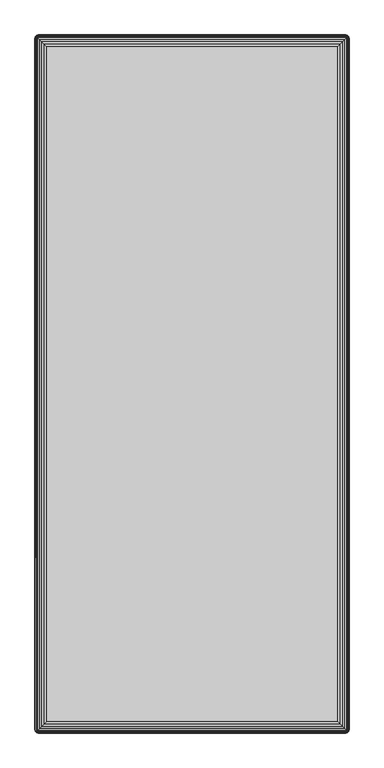
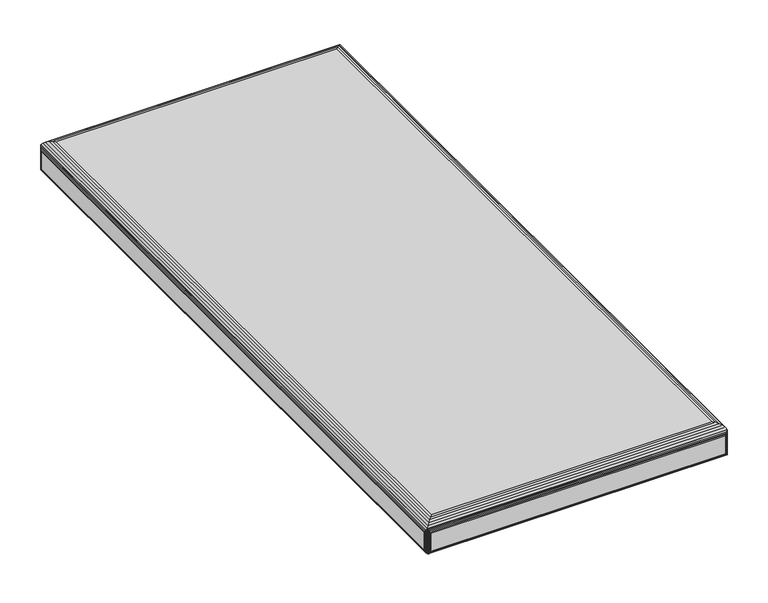
"""IFC4 building model written with IfcOpenShell, lengths in millimetres: furniture geometry."""

from ifc_helpers import new_model, si_unit, origin, place, context, project, spatial, triangles, source, transform, mapped, element, save


def furniture_936893c2(model_context):
    return source(origin(), model_context, "Body", "Tessellation", [
        triangles([(778.8801554, 2803.2111569, 400.0000031), (778.8801554, 3763.2111533, 400.0000031), (1188.8801657, 3763.2111533, 400.0000031), (1188.8801657, 2803.2111569, 400.0000031), (778.8801554, 2803.2111569, 411.9999973), (1188.8801657, 2803.2111569, 411.9999973), (778.8801554, 3763.2111533, 411.9999973), (1188.8801657, 3763.2111533, 411.9999973), (761.3531729, 3782.0651442, 414.4729932), (760.6371555, 3781.4541532, 413.7570122), (760.9331404, 3781.7301538, 452.722984), (761.846166, 3782.3871449, 451.0670168), (762.1561762, 3782.5571563, 415.2759965), (760.7831495, 3781.5951511, 453.0079957), (760.6371555, 3781.4541532, 453.2899916), (762.8331697, 3782.8511609, 449.3739879), (763.0261812, 3782.9171453, 416.1460015), (763.941169, 3783.1371536, 417.0609893), (763.8571625, 3783.1231465, 447.675), (764.8801378, 3783.2111499, 445.9999932), (764.8801378, 3783.2111499, 417.9999945), (760.3611549, 3781.1581502, 452.722984), (760.4961757, 3781.3081592, 453.0079957), (760.0261463, 3780.738154, 414.4729932), (759.5341705, 3779.9351507, 415.2759965), (759.7041456, 3780.2451608, 451.0670168), (759.1741634, 3779.0651457, 416.1460015), (759.2401478, 3779.2581571, 449.3739879), (758.968144, 3778.2341462, 447.675), (758.9541914, 3778.1501579, 417.0609893), (758.8801407, 3777.2111527, 417.9999945), (758.8801407, 3777.2111527, 445.9999932), (1206.4071482, 3782.0651442, 414.4729932), (1207.1231656, 3781.4541532, 413.7570122), (1205.6041631, 3782.5571563, 415.2759965), (1204.7341581, 3782.9171453, 416.1460015), (1203.8191521, 3783.1371536, 417.0609893), (1202.8801651, 3783.2111499, 417.9999945), (761.3531729, 3780.738154, 413.146003), (1206.4071482, 3780.738154, 413.146003), (1205.6041631, 3779.9351507, 412.6539908), (762.1561762, 3779.9351507, 412.6539908), (1204.7341581, 3779.0651457, 412.2939837), (763.0261812, 3779.0651457, 412.2939837), (763.941169, 3778.1501579, 412.0740117), (1203.8191521, 3778.1501579, 412.0740117), (1202.8801651, 3777.2111527, 411.9999973), (764.8801378, 3777.2111527, 411.9999973), (1202.8801651, 3783.2111499, 445.9999932), (1204.9271514, 3782.8511609, 449.3739879), (1203.9031586, 3783.1231465, 447.675), (1205.9141551, 3782.3871449, 451.0670168), (1206.8271626, 3781.7301538, 452.722984), (1206.9771534, 3781.5951511, 453.0079957), (1207.1231656, 3781.4541532, 453.2899916), (762.5671249, 3779.5241474, 456.2169931), (1205.1931598, 3779.5241474, 456.2169931), (1202.6721655, 3777.0041523, 458.653), (765.088192, 3777.0041523, 458.653), (768.0781257, 3774.0131466, 460.4819944), (1199.682159, 3774.0131466, 460.4819944), (771.3951471, 3770.6961434, 461.6160095), (1196.3651558, 3770.6961434, 461.6160095), (774.8801815, 3767.2111454, 461.9999977), (1192.8801578, 3767.2111454, 461.9999977), (1207.7341566, 3780.738154, 414.4729932), (1207.3991662, 3781.1581502, 452.722984), (1208.0561573, 3780.2451608, 451.0670168), (1208.2261506, 3779.9351507, 415.2759965), (1207.2641635, 3781.3081592, 453.0079957), (1208.5201552, 3779.2581571, 449.3739879), (1208.5861577, 3779.0651457, 416.1460015), (1208.8061661, 3778.1501579, 417.0609893), (1208.7921589, 3778.2341462, 447.675), (1208.8801623, 3777.2111527, 445.9999932), (1208.8801623, 3777.2111527, 417.9999945), (760.0261463, 2785.6841744, 414.4729932), (760.6371555, 2784.9681571, 413.7570122), (760.3611549, 2785.2641419, 452.722984), (759.7041456, 2786.1771676, 451.0670168), (759.5341705, 2786.4871777, 415.2759965), (760.4961757, 2785.1141511, 453.0079957), (760.6371555, 2784.9681571, 453.2899916), (759.2401478, 2787.1641713, 449.3739879), (759.1741634, 2787.3571828, 416.1460015), (758.9541914, 2788.2721705, 417.0609893), (758.968144, 2788.188164, 447.675), (758.8801407, 2789.2111394, 445.9999932), (758.8801407, 2789.2111394, 417.9999945), (760.9331404, 2784.6921565, 452.722984), (760.7831495, 2784.8271773, 453.0079957), (761.3531729, 2784.3571479, 414.4729932), (762.1561762, 2783.8651721, 415.2759965), (761.846166, 2784.0351472, 451.0670168), (763.0261812, 2783.505165, 416.1460015), (762.8331697, 2783.5711493, 449.3739879), (763.8571625, 2783.2991456, 447.675), (763.941169, 2783.2851203, 417.0609893), (764.8801378, 2783.2111422, 417.9999945), (764.8801378, 2783.2111422, 445.9999932), (762.5671249, 2786.8981265, 456.2169931), (765.088192, 2789.4181761, 458.653), (768.0781257, 2792.4091273, 460.4819944), (771.3951471, 2795.7261487, 461.6160095), (774.8801815, 2799.211183, 461.9999977), (1206.8271626, 2784.6921565, 452.722984), (1206.9771534, 2784.8271773, 453.0079957), (1207.1231656, 2784.9681571, 453.2899916), (1205.9141551, 2784.0351472, 451.0670168), (1204.9271514, 2783.5711493, 449.3739879), (1203.9031586, 2783.2991456, 447.675), (1202.8801651, 2783.2111422, 445.9999932), (1205.1931598, 2786.8981265, 456.2169931), (1202.6721655, 2789.4181761, 458.653), (1199.682159, 2792.4091273, 460.4819944), (1196.3651558, 2795.7261487, 461.6160095), (1192.8801578, 2799.211183, 461.9999977), (1202.8801651, 2783.2111422, 417.9999945), (1206.4071482, 2784.3571479, 414.4729932), (1207.1231656, 2784.9681571, 413.7570122), (1205.6041631, 2783.8651721, 415.2759965), (1204.7341581, 2783.505165, 416.1460015), (1203.8191521, 2783.2851203, 417.0609893), (1207.3991662, 2785.2641419, 452.722984), (1207.2641635, 2785.1141511, 453.0079957), (1207.7341566, 2785.6841744, 414.4729932), (1208.2261506, 2786.4871777, 415.2759965), (1208.0561573, 2786.1771676, 451.0670168), (1208.5861577, 2787.3571828, 416.1460015), (1208.5201552, 2787.1641713, 449.3739879), (1208.7921589, 2788.188164, 447.675), (1208.8061661, 2788.2721705, 417.0609893), (1208.8801623, 2789.2111394, 417.9999945), (1208.8801623, 2789.2111394, 445.9999932), (1206.4071482, 2785.6841744, 413.146003), (761.3531729, 2785.6841744, 413.146003), (762.1561762, 2786.4871777, 412.6539908), (1205.6041631, 2786.4871777, 412.6539908), (763.0261812, 2787.3571828, 412.2939837), (1204.7341581, 2787.3571828, 412.2939837), (1203.8191521, 2788.2721705, 412.0740117), (763.941169, 2788.2721705, 412.0740117), (764.8801378, 2789.2111394, 411.9999973), (1202.8801651, 2789.2111394, 411.9999973)], [[1, 2, 3], [1, 3, 4], [5, 1, 4], [6, 5, 4], [7, 2, 1], [5, 7, 1], [8, 3, 2], [7, 8, 2], [6, 4, 3], [8, 6, 3], [7, 5, 6], [8, 7, 6], [11, 9, 10], [11, 12, 13], [11, 13, 9], [10, 14, 11], [10, 15, 14], [13, 12, 16], [13, 16, 17], [19, 18, 17], [19, 20, 21], [19, 21, 18], [17, 16, 19], [22, 23, 15], [24, 22, 15], [24, 25, 26], [24, 26, 22], [15, 10, 24], [26, 25, 27], [26, 27, 28], [30, 29, 28], [30, 31, 32], [30, 32, 29], [28, 27, 30], [9, 33, 34], [9, 13, 35], [9, 35, 33], [34, 10, 9], [35, 13, 17], [35, 17, 36], [18, 37, 36], [18, 21, 38], [18, 38, 37], [36, 17, 18], [40, 39, 10], [40, 41, 42], [40, 42, 39], [10, 34, 40], [42, 41, 43], [42, 43, 44], [46, 45, 44], [46, 47, 48], [46, 48, 45], [44, 43, 46], [38, 21, 20], [49, 38, 20], [50, 19, 16], [51, 49, 20], [51, 20, 19], [19, 50, 51], [11, 14, 15], [15, 12, 11], [52, 12, 15], [52, 50, 16], [52, 16, 12], [15, 53, 52], [15, 54, 53], [15, 55, 54], [55, 15, 56], [55, 56, 57], [59, 58, 57], [59, 60, 61], [59, 61, 58], [57, 56, 59], [61, 60, 62], [61, 62, 63], [63, 62, 64], [63, 64, 65], [67, 66, 34], [67, 68, 69], [67, 69, 66], [34, 70, 67], [34, 55, 70], [69, 68, 71], [69, 71, 72], [74, 73, 72], [74, 75, 76], [74, 76, 73], [72, 71, 74], [53, 54, 55], [33, 53, 55], [33, 35, 52], [33, 52, 53], [55, 34, 33], [52, 35, 36], [52, 36, 50], [37, 51, 50], [37, 38, 49], [37, 49, 51], [50, 36, 37], [79, 77, 78], [79, 80, 81], [79, 81, 77], [78, 82, 79], [78, 83, 82], [81, 80, 84], [81, 84, 85], [87, 86, 85], [87, 88, 89], [87, 89, 86], [85, 84, 87], [90, 91, 83], [92, 90, 83], [92, 93, 94], [92, 94, 90], [83, 78, 92], [94, 93, 95], [94, 95, 96], [98, 97, 96], [98, 99, 100], [98, 100, 97], [96, 95, 98], [79, 82, 83], [83, 80, 79], [26, 80, 83], [26, 28, 84], [26, 84, 80], [83, 22, 26], [83, 23, 22], [83, 15, 23], [29, 87, 84], [29, 32, 88], [29, 88, 87], [84, 28, 29], [15, 83, 101], [15, 101, 56], [102, 59, 56], [102, 103, 60], [102, 60, 59], [56, 101, 102], [60, 103, 104], [60, 104, 62], [62, 104, 105], [62, 105, 64], [106, 107, 108], [108, 109, 106], [94, 109, 108], [94, 96, 110], [94, 110, 109], [108, 90, 94], [108, 91, 90], [108, 83, 91], [97, 111, 110], [97, 100, 112], [97, 112, 111], [110, 96, 97], [83, 108, 113], [83, 113, 101], [114, 102, 101], [114, 115, 103], [114, 103, 102], [101, 113, 114], [103, 115, 116], [103, 116, 104], [104, 116, 117], [104, 117, 105], [112, 100, 99], [118, 112, 99], [106, 119, 120], [106, 109, 121], [106, 121, 119], [120, 107, 106], [120, 108, 107], [121, 109, 110], [121, 110, 122], [111, 123, 122], [111, 112, 118], [111, 118, 123], [122, 110, 111], [124, 125, 108], [126, 124, 108], [126, 127, 128], [126, 128, 124], [108, 120, 126], [128, 127, 129], [128, 129, 130], [132, 131, 130], [132, 133, 134], [132, 134, 131], [130, 129, 132], [130, 74, 71], [131, 134, 75], [131, 75, 74], [74, 130, 131], [67, 70, 55], [55, 68, 67], [128, 68, 55], [128, 130, 71], [128, 71, 68], [55, 124, 128], [55, 125, 124], [55, 108, 125], [108, 55, 57], [108, 57, 113], [58, 114, 113], [58, 61, 115], [58, 115, 114], [113, 57, 58], [115, 61, 63], [115, 63, 116], [116, 63, 65], [116, 65, 117], [122, 98, 95], [123, 118, 99], [123, 99, 98], [98, 122, 123], [122, 95, 93], [121, 122, 93], [120, 92, 78], [119, 121, 93], [119, 93, 92], [92, 120, 119], [136, 135, 120], [136, 137, 138], [136, 138, 135], [120, 78, 136], [138, 137, 139], [138, 139, 140], [142, 141, 140], [142, 143, 144], [142, 144, 141], [140, 139, 142], [85, 30, 27], [86, 89, 31], [86, 31, 30], [30, 85, 86], [85, 27, 25], [81, 85, 25], [78, 24, 10], [77, 81, 25], [77, 25, 24], [24, 78, 77], [39, 136, 78], [39, 42, 137], [39, 137, 136], [78, 10, 39], [137, 42, 44], [137, 44, 139], [45, 142, 139], [45, 48, 143], [45, 143, 142], [139, 44, 45], [66, 126, 120], [66, 69, 127], [66, 127, 126], [120, 34, 66], [127, 69, 72], [127, 72, 129], [73, 132, 129], [73, 76, 133], [73, 133, 132], [129, 72, 73], [135, 40, 34], [135, 138, 41], [135, 41, 40], [34, 120, 135], [41, 138, 140], [41, 140, 43], [141, 46, 43], [141, 144, 47], [141, 47, 46], [43, 140, 141], [88, 32, 31], [89, 88, 31], [143, 48, 47], [143, 47, 144], [117, 65, 64], [105, 117, 64], [133, 76, 75], [134, 133, 75]]),
    ])


if __name__ == "__main__":
    model = new_model("IFC4")
    model_context = context("Model", 3, world=origin())
    ifc_project = project(units=[si_unit("LENGTHUNIT", "METRE", prefix="MILLI")], contexts=[model_context])
    site = spatial("IfcSite", under=ifc_project)
    building = spatial("IfcBuilding", under=site)
    placement = place(None, origin())
    furniture_shape = furniture_936893c2(model_context)
    element("IfcFurniture", 1, at=placement, inside=building, context=model_context, shape_type="MappedRepresentation", body=[
        mapped(furniture_shape, transform((0.0, 0.0, 0.0), x_axis=(1.0, 0.0, 0.0), y_axis=(0.0, 1.0, 0.0), z_axis=(0.0, 0.0, 1.0))),
    ])
    save(model, "model.ifc")
